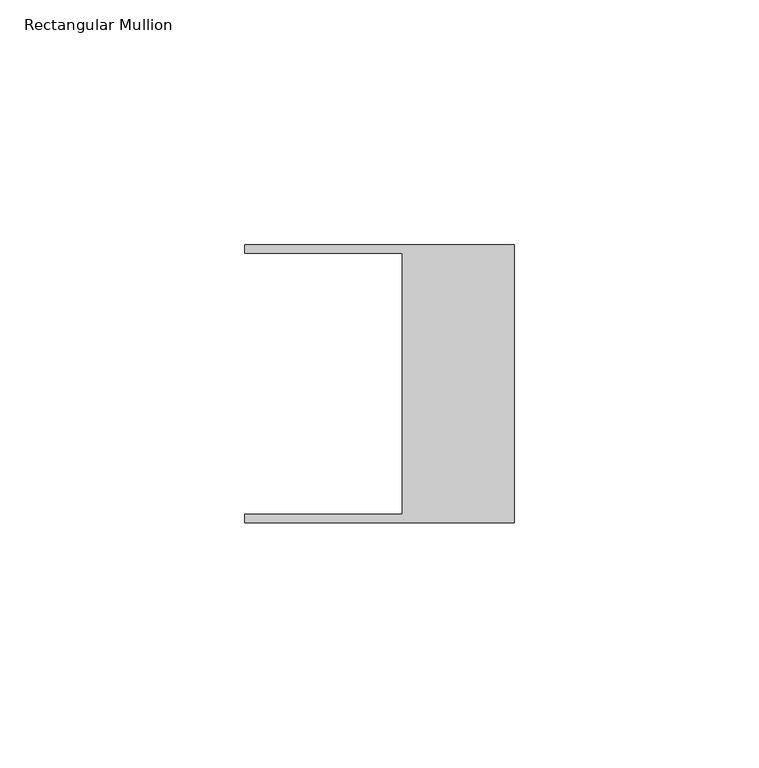
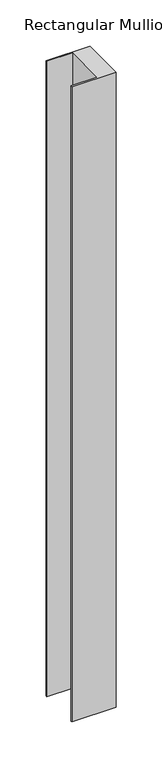
"""IFC4 building model written with IfcOpenShell, lengths in millimetres: member geometry, Rectangular Mullion."""

from ifc_helpers import new_model, si_unit, frame, origin, place, context, project, spatial, polyline, outline, extrude, source, transform, mapped, element, save


def rectangular_mullion_009c3029(model_context):
    return source(origin(), model_context, "Body", "SweptSolid", [
        extrude(outline(polyline([(-55.118, -26.67), (-22.86, -26.67), (-22.86, 26.67), (-55.118, 26.67), (-55.118, 28.448), (0.0, 28.448), (0.0, -28.448), (-55.118, -28.448), (-55.118, -26.67)])), frame((0.0, 0.0, -841.642463), z_axis=(0.0, 0.0, 1.0), x_axis=(1.0, 0.0, 0.0)), (0.0, 0.0, 1.0), 841.642463),
    ])


if __name__ == "__main__":
    model = new_model("IFC4")
    model_context = context("Model", 3, world=origin())
    ifc_project = project(units=[si_unit("LENGTHUNIT", "METRE", prefix="MILLI")], contexts=[model_context])
    site = spatial("IfcSite", under=ifc_project)
    building = spatial("IfcBuilding", under=site)
    placement = place(None, origin())
    rectangular_mullion_shape = rectangular_mullion_009c3029(model_context)
    element("IfcMember", 1, ObjectType="Rectangular Mullion", at=placement, inside=building, context=model_context, shape_type="MappedRepresentation", body=[
        mapped(rectangular_mullion_shape, transform((0.0, 0.0, 0.0), x_axis=(1.0, 0.0, 0.0), y_axis=(0.0, 1.0, 0.0), z_axis=(0.0, 0.0, 1.0))),
    ])
    save(model, "model.ifc")
